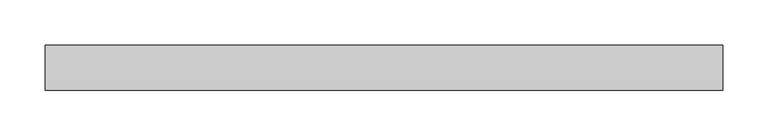
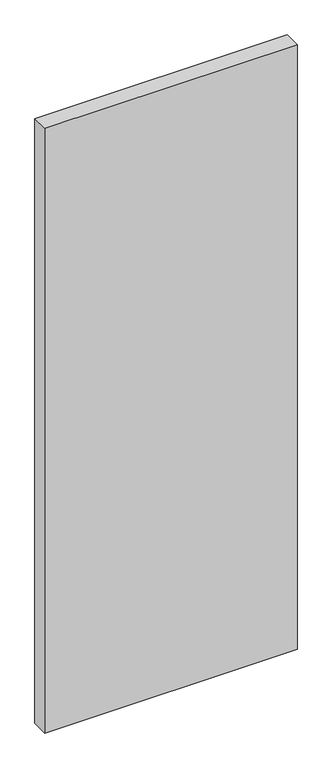
"""IFC4 building model written with IfcOpenShell, lengths in millimetres: plate geometry."""

from ifc_helpers import new_model, si_unit, origin, origin_with_axes, place, context, project, spatial, polyline, outline, extrude, source, transform, mapped, element, save


def plate_8821ab84(model_context):
    return source(origin(), model_context, "Body", "SweptSolid", [
        extrude(outline(polyline([(375.0, -25.0), (-375.0, -25.0), (-375.0, 25.0), (375.0, 25.0), (375.0, -25.0)])), origin_with_axes(), (0.0, 0.0, 1.0), 1900.0),
    ])


if __name__ == "__main__":
    model = new_model("IFC4")
    model_context = context("Model", 3, world=origin())
    ifc_project = project(units=[si_unit("LENGTHUNIT", "METRE", prefix="MILLI")], contexts=[model_context])
    site = spatial("IfcSite", under=ifc_project)
    building = spatial("IfcBuilding", under=site)
    placement = place(None, origin())
    plate_shape = plate_8821ab84(model_context)
    element("IfcPlate", 1, at=placement, inside=building, context=model_context, shape_type="MappedRepresentation", body=[
        mapped(plate_shape, transform((0.0, 0.0, 0.0), x_axis=(1.0, 0.0, 0.0), y_axis=(0.0, 1.0, 0.0), z_axis=(0.0, 0.0, 1.0))),
    ])
    save(model, "model.ifc")
